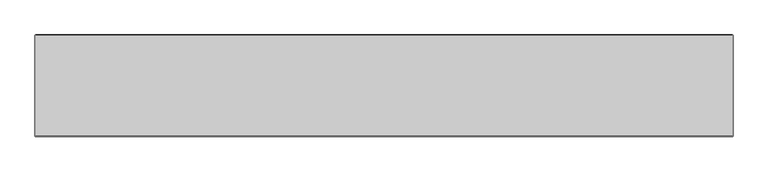
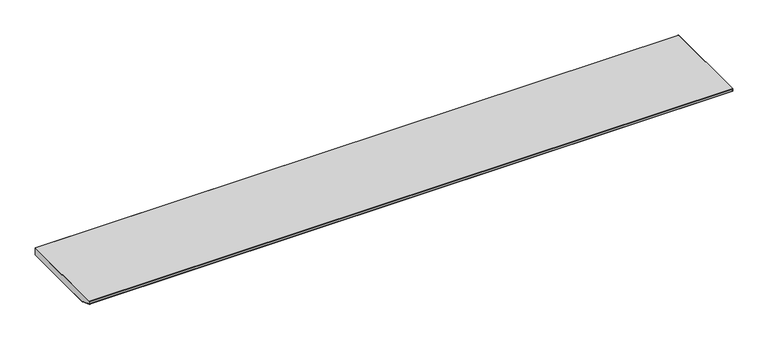
"""IFC4 building model written with IfcOpenShell, lengths in millimetres: furniture geometry."""

from ifc_helpers import new_model, si_unit, origin, place, context, project, spatial, triangles, source, transform, mapped, element, save


def furniture_b8013fba(model_context):
    return source(origin(), model_context, "Body", "Tessellation", [
        triangles([(2132.8379826, -311.1500121, -0.762), (2132.8379826, -310.3879947, 0.0), (0.762, -310.3879947, 0.0), (0.762, -311.1500121, -0.762), (0.762, -311.1500121, -8.7630002), (0.0, -310.3879947, -0.762), (0.0, -310.3879947, -8.7630002), (0.762, -310.3879947, -9.525), (0.762, -272.2879947, -25.4000008), (2132.8379826, -272.2879947, -25.4000008), (2132.8379826, -310.3879947, -9.525), (0.762, -0.762, -25.4000008), (2132.8379826, -0.762, -25.4000008), (0.0, -0.762, -24.6379992), (0.0, -0.762, -0.762), (2132.8379826, -0.762, 0.0), (0.762, -0.762, 0.0), (2133.6, -0.762, -0.762), (2133.6, -310.3879947, -0.762), (2133.6, -310.3879947, -8.7630002), (2133.6, -0.762, -24.6379992), (2132.8379826, 0.0, -24.6379992), (2132.8379826, 0.0, -0.762), (0.762, 0.0, -24.6379992), (0.762, 0.0, -0.762), (2132.8379826, -311.1500121, -8.7630002), (-0.03175, -273.0499939, -24.6379992), (2133.6316841, -273.0499939, -24.6379992)], [[1, 2, 3], [1, 3, 4], [5, 4, 6], [5, 6, 7], [8, 9, 10], [8, 10, 11], [12, 13, 10], [12, 10, 9], [14, 7, 6], [14, 6, 15], [16, 17, 3], [16, 3, 2], [18, 19, 20], [18, 20, 21], [22, 23, 18], [22, 18, 21], [22, 13, 12], [22, 12, 24], [25, 24, 14], [25, 14, 15], [25, 17, 16], [25, 16, 23], [20, 19, 1], [20, 1, 26], [26, 1, 4], [26, 4, 5], [3, 6, 4], [15, 6, 3], [15, 3, 17], [15, 17, 25], [24, 12, 14], [14, 12, 9], [14, 9, 27], [16, 18, 23], [18, 16, 2], [18, 2, 19], [1, 19, 2], [22, 21, 13], [13, 21, 28], [13, 28, 10], [5, 8, 11], [5, 11, 26], [5, 7, 8], [26, 11, 20], [11, 10, 28], [11, 28, 20], [21, 28, 20], [7, 27, 9], [7, 9, 8], [7, 27, 14]], closed=False),
    ])


if __name__ == "__main__":
    model = new_model("IFC4")
    model_context = context("Model", 3, world=origin())
    ifc_project = project(units=[si_unit("LENGTHUNIT", "METRE", prefix="MILLI")], contexts=[model_context])
    site = spatial("IfcSite", under=ifc_project)
    building = spatial("IfcBuilding", under=site)
    placement = place(None, origin())
    furniture_shape = furniture_b8013fba(model_context)
    element("IfcFurniture", 1, at=placement, inside=building, context=model_context, shape_type="MappedRepresentation", body=[
        mapped(furniture_shape, transform((0.0, 0.0, 0.0), x_axis=(1.0, 0.0, 0.0), y_axis=(0.0, 1.0, 0.0), z_axis=(0.0, 0.0, 1.0))),
    ])
    save(model, "model.ifc")
